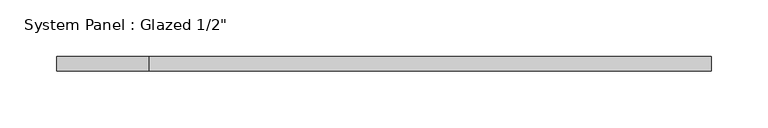
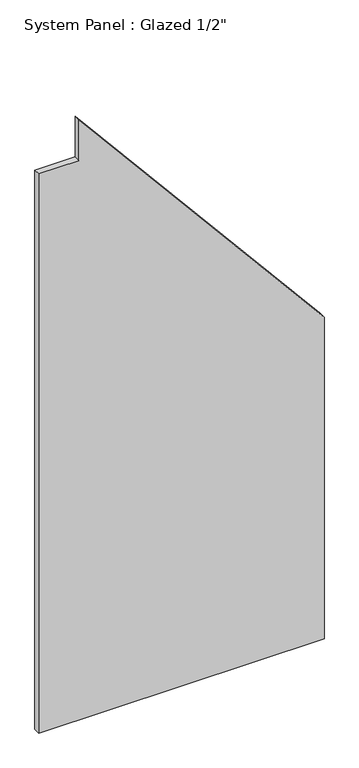
"""IFC4 building model written with IfcOpenShell, lengths in millimetres: plate geometry."""

from ifc_helpers import new_model, si_unit, frame, origin, place, context, project, spatial, polyline, outline, extrude, source, transform, mapped, element, save


def plate_63e5bfb1(model_context):
    return source(origin(), model_context, "Body", "SweptSolid", [
        extrude(outline(polyline([(0.0, -288.73739), (0.0, 288.73739), (687.4753752, 288.73739), (1283.2028492, -206.9378301), (1195.797534, -206.9378301), (1195.797534, -288.73739), (0.0, -288.73739)])), frame((0.0, -6.35, 0.0), z_axis=(0.0, 1.0, 0.0), x_axis=(0.0, 0.0, 1.0)), (0.0, 0.0, 1.0), 12.7),
    ])


if __name__ == "__main__":
    model = new_model("IFC4")
    model_context = context("Model", 3, world=origin())
    ifc_project = project(units=[si_unit("LENGTHUNIT", "METRE", prefix="MILLI")], contexts=[model_context])
    site = spatial("IfcSite", under=ifc_project)
    building = spatial("IfcBuilding", under=site)
    placement = place(None, origin())
    plate_shape = plate_63e5bfb1(model_context)
    element("IfcPlate", 1, ObjectType="System Panel : Glazed 1/2\"", at=placement, inside=building, context=model_context, shape_type="MappedRepresentation", body=[
        mapped(plate_shape, transform((0.0, 0.0, 0.0), x_axis=(1.0, 0.0, 0.0), y_axis=(0.0, 1.0, 0.0), z_axis=(0.0, 0.0, 1.0))),
    ])
    save(model, "model.ifc")
